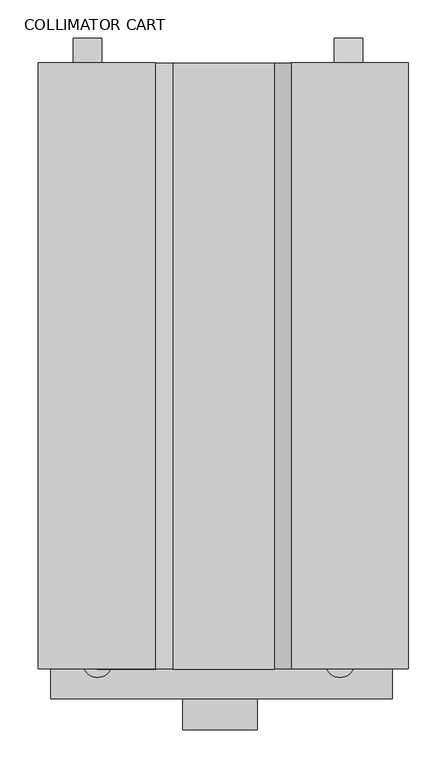
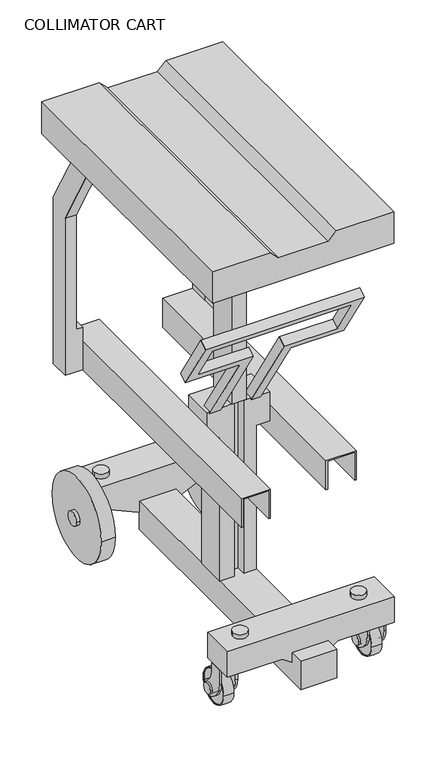
"""IFC4 building model written with IfcOpenShell, lengths in millimetres: proxy geometry, COLLIMATOR CART."""

from ifc_helpers import new_model, si_unit, point, frame, frame_2d, origin, place, context, project, spatial, polyline, circle_curve, ellipse_curve, trimmed, segment, composite_curve, outline, extrude, faceted_brep, source, transform, mapped, element, save
from ifc_brep_helpers import plane_surface, revolved_surface, advanced_brep


def collimator_cart_15fbf50c(model_context):
    return source(origin(), model_context, "Body", "SolidModel", [
        advanced_brep(
        [(380.5506847, -702.177546, 28.9965135), (380.5506847, -795.7896241, 28.9965135), (352.5506847, -795.7896241, 28.9965135), (352.5506847, -702.177546, 28.9965135), (352.5506847, -703.9835851, 28.9965135), (352.5506847, -793.9835851, 28.9965135), (380.5506847, -793.9835851, 28.9965135), (380.5506847, -703.9835851, 28.9965135)],
        [
            (0, 1, circle_curve(frame((380.5506847, -748.9835851, 28.9965135), z_axis=(-1.0, 0.0, 0.0), x_axis=(0.0, -1.0000000000000007, 0.0)), 46.8060391)),
            (1, 2, circle_curve(frame((366.5506847, -717.4078321, 28.9965135), z_axis=(0.0, 0.0, -1.0), x_axis=(0.0, 1.0000000000000007, 0.0)), 79.6222664)),
            (2, 3, circle_curve(frame((352.5506847, -748.9835851, 28.9965135), z_axis=(1.0, 0.0, 0.0), x_axis=(0.0, -1.0000000000000007, 0.0)), 46.8060391)),
            (3, 0, circle_curve(frame((366.5506847, -780.559338, 28.9965135), z_axis=(0.0, 0.0, -1.0), x_axis=(0.0, -1.0000000000000007, 0.0)), 79.6222664)),
            (4, 5, circle_curve(frame((352.5506847, -748.9835851, 28.9965135), z_axis=(-1.0, 0.0, 0.0), x_axis=(0.0, -1.0000000000000007, 0.0)), 45.0)),
            (5, 6),
            (6, 7, circle_curve(frame((380.5506847, -748.9835851, 28.9965135), z_axis=(1.0, 0.0, 0.0), x_axis=(0.0, -1.0000000000000007, 0.0)), 45.0)),
            (7, 4),
            (2, 3, circle_curve(frame((352.5506847, -748.9835851, 28.9965135), z_axis=(-1.0, 0.0, 0.0), x_axis=(0.0, 1.0000000000000007, 0.0)), 46.8060391)),
            (4, 5, circle_curve(frame((352.5506847, -748.9835851, 28.9965135), z_axis=(1.0, 0.0, 0.0), x_axis=(0.0, 1.0000000000000007, 0.0)), 45.0)),
            (1, 0, circle_curve(frame((380.5506847, -748.9835851, 28.9965135), z_axis=(-1.0, 0.0, 0.0), x_axis=(0.0, 1.0000000000000007, 0.0)), 46.8060391)),
            (6, 7, circle_curve(frame((380.5506847, -748.9835851, 28.9965135), z_axis=(-1.0, 0.0, 0.0), x_axis=(0.0, 1.0000000000000007, 0.0)), 45.0)),
        ],
        [
            revolved_surface(trimmed(ellipse_curve(frame((366.5506847, -717.4078321, 28.9965135), z_axis=(0.0, 0.0, 1.0), x_axis=(0.0, 1.0000000000000007, 0.0)), 79.6222664, 79.6222664), [point((352.5506847, -795.7896241, 28.9965135))], [point((380.5506847, -795.7896241, 28.9965135))], True, "CARTESIAN"), (373.073476, -748.9835851, 28.9965135), (1.0000000000000007, 0.0, 0.0)),
            revolved_surface(polyline([(380.5506847, -793.9835851, 28.9965135), (352.5506846999999, -793.9835851, 28.9965135)]), (373.073476, -748.9835851, 28.9965135), (1.0000000000000007, 0.0, 0.0)),
            plane_surface(frame((352.5506847, -748.9835851, 28.9965135), z_axis=(-1.0, 0.0, 0.0), x_axis=(0.0, 1.0, 0.0))),
            revolved_surface(trimmed(ellipse_curve(frame((366.5506847, -780.559338, 28.9965135), z_axis=(0.0, 0.0, -1.0), x_axis=(0.0, -1.0000000000000007, 0.0)), 79.6222664, 79.6222664), [point((352.5506847, -702.177546, 28.9965135))], [point((380.5506847, -702.177546, 28.9965135))], True, "CARTESIAN"), (373.073476, -748.9835851, 28.9965135), (1.0000000000000007, 0.0, 0.0)),
            plane_surface(frame((380.5506847, -748.9835851, 28.9965135), z_axis=(1.0, 0.0, 0.0), x_axis=(0.0, 1.0, 0.0))),
            revolved_surface(polyline([(380.5506847, -703.9835851, 28.9965135), (352.5506846999999, -703.9835851, 28.9965135)]), (373.073476, -748.9835851, 28.9965135), (1.0000000000000007, 0.0, 0.0)),
        ],
        [
            (0, [[1, 2, 3, 4]]),
            (1, [[5, 6, 7, 8]]),
            (2, [[9, -3], [10, -5]]),
            (3, [[11, -4, -9, -2]]),
            (4, [[-11, -1], [12, -7]]),
            (5, [[-10, -8, -12, -6]]),
        ],
    ),
        extrude(outline(composite_curve([segment(polyline([(-758.1724211, 10.113577), (-766.9719434, 15.1939835)]), True, "CONTINUOUS"), segment(trimmed(circle_curve(frame_2d((-739.4719434, 62.8253807)), 55.0), [point((-766.9719434, 15.1939835))], [point((-794.4719434, 62.8253807))], False, "CARTESIAN"), True, "CONTINUOUS"), segment(polyline([(-794.4719434, 62.8253807), (-794.4719434, 105.9965135), (-759.4719434, 105.9965135), (-759.4719434, 80.3030944)]), True, "CONTINUOUS"), segment(trimmed(circle_curve(frame_2d((-721.8233227, 80.3030944)), 37.6486207), [point((-759.4719434, 80.3030944))], [point((-742.8702564, 49.0869892))], True, "CARTESIAN"), True, "CONTINUOUS"), segment(trimmed(circle_curve(frame_2d((-748.9835851, 28.9965135)), 21.0), [point((-742.8702564, 49.0869892))], [point((-758.1724211, 10.113577))], False, "CARTESIAN"), True, "CONTINUOUS")], self_intersect=False)), frame((341.573476, 0.0, 0.0), z_axis=(1.0, 0.0, 0.0), x_axis=(0.0, 1.0, 0.0)), (0.0, 0.0, 1.0), 6.0),
        extrude(outline(polyline([(385.573476, -794.4719434), (347.573476, -794.4719434), (347.573476, -759.4719434), (385.573476, -759.4719434), (385.573476, -794.4719434)])), frame((0.0, 0.0, 99.9965135), z_axis=(0.0, 0.0, 1.0), x_axis=(1.0, 0.0, 0.0)), (0.0, 0.0, 1.0), 6.0),
        extrude(outline(composite_curve([segment(polyline([(-758.1724211, 10.113577), (-766.9719434, 15.1939835)]), True, "CONTINUOUS"), segment(trimmed(circle_curve(frame_2d((-739.4719434, 62.8253807)), 55.0), [point((-766.9719434, 15.1939835))], [point((-794.4719434, 62.8253807))], False, "CARTESIAN"), True, "CONTINUOUS"), segment(polyline([(-794.4719434, 62.8253807), (-794.4719434, 105.9965135), (-759.4719434, 105.9965135), (-759.4719434, 80.3030944)]), True, "CONTINUOUS"), segment(trimmed(circle_curve(frame_2d((-721.8233227, 80.3030944)), 37.6486207), [point((-759.4719434, 80.3030944))], [point((-742.8702564, 49.0869892))], True, "CARTESIAN"), True, "CONTINUOUS"), segment(trimmed(circle_curve(frame_2d((-748.9835851, 28.9965135)), 21.0), [point((-742.8702564, 49.0869892))], [point((-758.1724211, 10.113577))], False, "CARTESIAN"), True, "CONTINUOUS")], self_intersect=False)), frame((385.573476, 0.0, 0.0), z_axis=(1.0, 0.0, 0.0), x_axis=(0.0, 1.0, 0.0)), (0.0, 0.0, 1.0), 6.0),
        extrude(outline(composite_curve([segment(trimmed(circle_curve(frame_2d((-748.9835851, 28.9965135)), 15.0), [point((-763.9835851, 28.9965135))], [point((-733.9835851, 28.9965135))], False, "CARTESIAN"), True, "CONTINUOUS"), segment(trimmed(circle_curve(frame_2d((-748.9835851, 28.9965135)), 15.0), [point((-733.9835851, 28.9965135))], [point((-763.9835851, 28.9965135))], False, "CARTESIAN"), True, "CONTINUOUS")], self_intersect=False)), frame((335.573476, 0.0, 0.0), z_axis=(1.0, 0.0, 0.0), x_axis=(0.0, 1.0, 0.0)), (0.0, 0.0, 1.0), 62.0),
        extrude(outline(composite_curve([segment(trimmed(circle_curve(frame_2d((-748.9835851, 28.9965135)), 45.0), [point((-793.9835851, 28.9965135))], [point((-703.9835851, 28.9965135))], False, "CARTESIAN"), True, "CONTINUOUS"), segment(trimmed(circle_curve(frame_2d((-748.9835851, 28.9965135)), 45.0), [point((-703.9835851, 28.9965135))], [point((-793.9835851, 28.9965135))], False, "CARTESIAN"), True, "CONTINUOUS")], self_intersect=False)), frame((354.073476, 0.0, 0.0), z_axis=(1.0, 0.0, 0.0), x_axis=(0.0, 1.0, 0.0)), (0.0, 0.0, 1.0), 25.0),
        advanced_brep(
        [(-16.3243153, -702.177546, 28.9965135), (-16.3243153, -795.7896241, 28.9965135), (-44.3243153, -795.7896241, 28.9965135), (-44.3243153, -702.177546, 28.9965135), (-44.3243153, -703.9835851, 28.9965135), (-44.3243153, -793.9835851, 28.9965135), (-16.3243153, -793.9835851, 28.9965135), (-16.3243153, -703.9835851, 28.9965135)],
        [
            (0, 1, circle_curve(frame((-16.3243153, -748.9835851, 28.9965135), z_axis=(-1.0, 0.0, 0.0), x_axis=(0.0, -1.0000000000000007, 0.0)), 46.8060391)),
            (1, 2, circle_curve(frame((-30.3243153, -717.4078321, 28.9965135), z_axis=(0.0, 0.0, -1.0), x_axis=(0.0, 1.0000000000000007, 0.0)), 79.6222664)),
            (2, 3, circle_curve(frame((-44.3243153, -748.9835851, 28.9965135), z_axis=(1.0, 0.0, 0.0), x_axis=(0.0, -1.0000000000000007, 0.0)), 46.8060391)),
            (3, 0, circle_curve(frame((-30.3243153, -780.559338, 28.9965135), z_axis=(0.0, 0.0, -1.0), x_axis=(0.0, -1.0000000000000007, 0.0)), 79.6222664)),
            (4, 5, circle_curve(frame((-44.3243153, -748.9835851, 28.9965135), z_axis=(-1.0, 0.0, 0.0), x_axis=(0.0, -1.0000000000000007, 0.0)), 45.0)),
            (5, 6),
            (6, 7, circle_curve(frame((-16.3243153, -748.9835851, 28.9965135), z_axis=(1.0, 0.0, 0.0), x_axis=(0.0, -1.0000000000000007, 0.0)), 45.0)),
            (7, 4),
            (2, 3, circle_curve(frame((-44.3243153, -748.9835851, 28.9965135), z_axis=(-1.0, 0.0, 0.0), x_axis=(0.0, 1.0000000000000007, 0.0)), 46.8060391)),
            (4, 5, circle_curve(frame((-44.3243153, -748.9835851, 28.9965135), z_axis=(1.0, 0.0, 0.0), x_axis=(0.0, 1.0000000000000007, 0.0)), 45.0)),
            (1, 0, circle_curve(frame((-16.3243153, -748.9835851, 28.9965135), z_axis=(-1.0, 0.0, 0.0), x_axis=(0.0, 1.0000000000000007, 0.0)), 46.8060391)),
            (6, 7, circle_curve(frame((-16.3243153, -748.9835851, 28.9965135), z_axis=(-1.0, 0.0, 0.0), x_axis=(0.0, 1.0000000000000007, 0.0)), 45.0)),
        ],
        [
            revolved_surface(trimmed(ellipse_curve(frame((-30.3243153, -717.4078321, 28.9965135), z_axis=(0.0, 0.0, 1.0), x_axis=(0.0, 1.0000000000000007, 0.0)), 79.6222664, 79.6222664), [point((-44.3243153, -795.7896241, 28.9965135))], [point((-16.3243153, -795.7896241, 28.9965135))], True, "CARTESIAN"), (-23.801524, -748.9835851, 28.9965135), (1.0000000000000007, 0.0, 0.0)),
            revolved_surface(polyline([(-16.324315299999988, -793.9835851, 28.9965135), (-44.32431530000003, -793.9835851, 28.9965135)]), (-23.801524, -748.9835851, 28.9965135), (1.0000000000000007, 0.0, 0.0)),
            plane_surface(frame((-44.3243153, -748.9835851, 28.9965135), z_axis=(-1.0, 0.0, 0.0), x_axis=(0.0, 1.0, 0.0))),
            revolved_surface(trimmed(ellipse_curve(frame((-30.3243153, -780.559338, 28.9965135), z_axis=(0.0, 0.0, -1.0), x_axis=(0.0, -1.0000000000000007, 0.0)), 79.6222664, 79.6222664), [point((-44.3243153, -702.177546, 28.9965135))], [point((-16.3243153, -702.177546, 28.9965135))], True, "CARTESIAN"), (-23.801524, -748.9835851, 28.9965135), (1.0000000000000007, 0.0, 0.0)),
            plane_surface(frame((-16.3243153, -748.9835851, 28.9965135), z_axis=(1.0, 0.0, 0.0), x_axis=(0.0, 1.0, 0.0))),
            revolved_surface(polyline([(-16.324315299999988, -703.9835851, 28.9965135), (-44.32431530000003, -703.9835851, 28.9965135)]), (-23.801524, -748.9835851, 28.9965135), (1.0000000000000007, 0.0, 0.0)),
        ],
        [
            (0, [[1, 2, 3, 4]]),
            (1, [[5, 6, 7, 8]]),
            (2, [[9, -3], [10, -5]]),
            (3, [[11, -4, -9, -2]]),
            (4, [[-11, -1], [12, -7]]),
            (5, [[-10, -8, -12, -6]]),
        ],
    ),
        extrude(outline(composite_curve([segment(polyline([(-758.1724211, 10.113577), (-766.9719434, 15.1939835)]), True, "CONTINUOUS"), segment(trimmed(circle_curve(frame_2d((-739.4719434, 62.8253807)), 55.0), [point((-766.9719434, 15.1939835))], [point((-794.4719434, 62.8253807))], False, "CARTESIAN"), True, "CONTINUOUS"), segment(polyline([(-794.4719434, 62.8253807), (-794.4719434, 105.9965135), (-759.4719434, 105.9965135), (-759.4719434, 80.3030944)]), True, "CONTINUOUS"), segment(trimmed(circle_curve(frame_2d((-721.8233227, 80.3030944)), 37.6486207), [point((-759.4719434, 80.3030944))], [point((-742.8702564, 49.0869892))], True, "CARTESIAN"), True, "CONTINUOUS"), segment(trimmed(circle_curve(frame_2d((-748.9835851, 28.9965135)), 21.0), [point((-742.8702564, 49.0869892))], [point((-758.1724211, 10.113577))], False, "CARTESIAN"), True, "CONTINUOUS")], self_intersect=False)), frame((-55.301524, 0.0, 0.0), z_axis=(1.0, 0.0, 0.0), x_axis=(0.0, 1.0, 0.0)), (0.0, 0.0, 1.0), 6.0),
        extrude(outline(polyline([(-11.301524, -794.4719434), (-49.301524, -794.4719434), (-49.301524, -759.4719434), (-11.301524, -759.4719434), (-11.301524, -794.4719434)])), frame((0.0, 0.0, 99.9965135), z_axis=(0.0, 0.0, 1.0), x_axis=(1.0, 0.0, 0.0)), (0.0, 0.0, 1.0), 6.0),
        extrude(outline(composite_curve([segment(polyline([(-758.1724211, 10.113577), (-766.9719434, 15.1939835)]), True, "CONTINUOUS"), segment(trimmed(circle_curve(frame_2d((-739.4719434, 62.8253807)), 55.0), [point((-766.9719434, 15.1939835))], [point((-794.4719434, 62.8253807))], False, "CARTESIAN"), True, "CONTINUOUS"), segment(polyline([(-794.4719434, 62.8253807), (-794.4719434, 105.9965135), (-759.4719434, 105.9965135), (-759.4719434, 80.3030944)]), True, "CONTINUOUS"), segment(trimmed(circle_curve(frame_2d((-721.8233227, 80.3030944)), 37.6486207), [point((-759.4719434, 80.3030944))], [point((-742.8702564, 49.0869892))], True, "CARTESIAN"), True, "CONTINUOUS"), segment(trimmed(circle_curve(frame_2d((-748.9835851, 28.9965135)), 21.0), [point((-742.8702564, 49.0869892))], [point((-758.1724211, 10.113577))], False, "CARTESIAN"), True, "CONTINUOUS")], self_intersect=False)), frame((-11.301524, 0.0, 0.0), z_axis=(1.0, 0.0, 0.0), x_axis=(0.0, 1.0, 0.0)), (0.0, 0.0, 1.0), 6.0),
        extrude(outline(composite_curve([segment(trimmed(circle_curve(frame_2d((-748.9835851, 28.9965135)), 15.0), [point((-763.9835851, 28.9965135))], [point((-733.9835851, 28.9965135))], False, "CARTESIAN"), True, "CONTINUOUS"), segment(trimmed(circle_curve(frame_2d((-748.9835851, 28.9965135)), 15.0), [point((-733.9835851, 28.9965135))], [point((-763.9835851, 28.9965135))], False, "CARTESIAN"), True, "CONTINUOUS")], self_intersect=False)), frame((-61.301524, 0.0, 0.0), z_axis=(1.0, 0.0, 0.0), x_axis=(0.0, 1.0, 0.0)), (0.0, 0.0, 1.0), 62.0),
        extrude(outline(composite_curve([segment(trimmed(circle_curve(frame_2d((-748.9835851, 28.9965135)), 45.0), [point((-793.9835851, 28.9965135))], [point((-703.9835851, 28.9965135))], False, "CARTESIAN"), True, "CONTINUOUS"), segment(trimmed(circle_curve(frame_2d((-748.9835851, 28.9965135)), 45.0), [point((-703.9835851, 28.9965135))], [point((-793.9835851, 28.9965135))], False, "CARTESIAN"), True, "CONTINUOUS")], self_intersect=False)), frame((-42.801524, 0.0, 0.0), z_axis=(1.0, 0.0, 0.0), x_axis=(0.0, 1.0, 0.0)), (0.0, 0.0, 1.0), 25.0),
        extrude(outline(composite_curve([segment(trimmed(circle_curve(frame_2d((289.0763618, -79.3326456)), 19.05), [point((270.0263618, -79.3326456))], [point((308.1263618, -79.3326456))], False, "CARTESIAN"), True, "CONTINUOUS"), segment(trimmed(circle_curve(frame_2d((289.0763618, -79.3326456)), 19.05), [point((308.1263618, -79.3326456))], [point((270.0263618, -79.3326456))], False, "CARTESIAN"), True, "CONTINUOUS")], self_intersect=False)), frame((0.0, 0.0, 193.3822133), z_axis=(0.0, 0.0, 1.0), x_axis=(1.0, 0.0, 0.0)), (0.0, 0.0, 1.0), 12.8857815),
        extrude(outline(composite_curve([segment(trimmed(circle_curve(frame_2d((41.4263618, -79.3326456)), 19.05), [point((22.3763618, -79.3326456))], [point((60.4763618, -79.3326456))], False, "CARTESIAN"), True, "CONTINUOUS"), segment(trimmed(circle_curve(frame_2d((41.4263618, -79.3326456)), 19.05), [point((60.4763618, -79.3326456))], [point((22.3763618, -79.3326456))], False, "CARTESIAN"), True, "CONTINUOUS")], self_intersect=False)), frame((0.0, 0.0, 193.3822133), z_axis=(0.0, 0.0, 1.0), x_axis=(1.0, 0.0, 0.0)), (0.0, 0.0, 1.0), 12.8857815),
        extrude(outline(composite_curve([segment(trimmed(circle_curve(frame_2d((323.0924617, -786.3594505)), 19.05), [point((304.0424617, -786.3594505))], [point((342.1424617, -786.3594505))], False, "CARTESIAN"), True, "CONTINUOUS"), segment(trimmed(circle_curve(frame_2d((323.0924617, -786.3594505)), 19.05), [point((342.1424617, -786.3594505))], [point((304.0424617, -786.3594505))], False, "CARTESIAN"), True, "CONTINUOUS")], self_intersect=False)), frame((0.0, 0.0, 180.7196746), z_axis=(0.0, 0.0, 1.0), x_axis=(1.0, 0.0, 0.0)), (0.0, 0.0, 1.0), 12.6088058),
        extrude(outline(composite_curve([segment(trimmed(circle_curve(frame_2d((5.5924617, -786.3594505)), 19.05), [point((-13.4575383, -786.3594505))], [point((24.6424617, -786.3594505))], False, "CARTESIAN"), True, "CONTINUOUS"), segment(trimmed(circle_curve(frame_2d((5.5924617, -786.3594505)), 19.05), [point((24.6424617, -786.3594505))], [point((-13.4575383, -786.3594505))], False, "CARTESIAN"), True, "CONTINUOUS")], self_intersect=False)), frame((0.0, 0.0, 180.7196746), z_axis=(0.0, 0.0, 1.0), x_axis=(1.0, 0.0, 0.0)), (0.0, 0.0, 1.0), 12.6088058),
        extrude(outline(polyline([(-57.15, 0.0), (-57.15, 304.8), (-28.575, 304.8), (-28.575, -25.4), (-177.8, -25.4), (-177.8, -152.4000001), (196.85, -152.4000001), (196.85, -25.4), (53.975, -25.4), (53.975, 304.8), (79.375, 304.8), (79.375, 0.0), (222.25, 0.0), (222.25, -177.8), (-203.2, -177.8), (-203.2, 0.0), (-57.15, 0.0)])), frame((147.1892188, -638.8586079, 826.1671449), z_axis=(0.0, 0.8480480961564295, 0.5299192642331995), x_axis=(1.0, 0.0, 0.0)), (0.0, 0.0, 1.0), 25.4608098),
        faceted_brep([(378.9430518, -0.8990561, 960.7317336), (378.9430518, -106.2720169, 1150.829587), (378.9430518, -176.6596099, 1150.829587), (378.9430518, -56.1601756, 933.4428531), (378.9430518, -56.1601756, 488.4708269), (378.9430518, -0.8990561, 488.4708269), (349.7649266, -56.1601756, 933.4428531), (349.7649266, -176.6596099, 1150.829587), (349.7649266, -106.2720169, 1150.829587), (349.7649266, -0.8990561, 960.7317336), (349.7649266, -0.8990561, 608.7167827), (349.7649266, -56.1601756, 608.7167827), (332.0764903, -56.1601756, 608.7167827), (332.0764903, -56.1601756, 488.4708269), (332.0764903, -0.8990561, 488.4708269), (332.0764903, -0.8990561, 608.7167827)], [[[0, 1, 2, 3, 4, 5]], [[6, 7, 8, 9, 10, 11]], [[1, 0, 9, 8]], [[2, 1, 8, 7]], [[3, 2, 7, 6]], [[4, 3, 6, 11, 12, 13]], [[5, 4, 13, 14]], [[0, 5, 14, 15, 10, 9]], [[10, 15, 12, 11]], [[15, 14, 13, 12]]]),
        faceted_brep([(-41.2740998, -0.8990561, 960.7317336), (-41.2740998, -0.8990561, 488.4708269), (-41.2740998, -56.1601756, 488.4708269), (-41.2740998, -56.1601756, 933.4428531), (-41.2740998, -176.6596099, 1150.829587), (-41.2740998, -106.2720169, 1150.829587), (-12.0959747, -0.8990561, 960.7317336), (-12.0959747, -106.2720169, 1150.829587), (-12.0959747, -176.6596099, 1150.829587), (-12.0959747, -56.1601756, 933.4428531), (-12.0959747, -56.1601756, 608.7167827), (-12.0959747, -0.8990561, 608.7167827), (5.5924617, -56.1601756, 488.4708269), (5.5924617, -56.1601756, 608.7167827), (5.5924617, -0.8990561, 488.4708269), (5.5924617, -0.8990561, 608.7167827)], [[[0, 1, 2, 3, 4, 5]], [[6, 7, 8, 9, 10, 11]], [[0, 5, 7, 6]], [[5, 4, 8, 7]], [[4, 3, 9, 8]], [[3, 2, 12, 13, 10, 9]], [[12, 2, 1, 14]], [[14, 1, 0, 6, 11, 15]], [[15, 11, 10, 13]], [[14, 15, 13, 12]]]),
        extrude(outline(polyline([(187.6543192, -499.520377), (149.085976, -499.520377), (149.085976, -415.4081664), (187.6543192, -415.4081664), (187.6543192, -499.520377)])), frame((0.0, 0.0, 608.7167827), z_axis=(0.0, 0.0, 1.0), x_axis=(1.0, 0.0, 0.0)), (0.0, 0.0, 1.0), 542.1128042),
        extrude(outline(polyline([(1150.829587, 412.864976), (1241.044, 412.864976), (1241.044, 259.321976), (1218.5933597, 236.8713357), (1218.5933597, 103.9726163), (1241.044, 81.521976), (1241.044, -72.021024), (1150.829587, -72.021024), (1150.829587, 412.864976)])), frame((0.0, -794.4719434, 0.0), z_axis=(0.0, 1.0, 0.0), x_axis=(0.0, 0.0, 1.0)), (0.0, 0.0, 1.0), 793.5728873),
        extrude(outline(polyline([(570.6167827, 332.0764903), (570.6167827, 251.3044903), (488.4708269, 251.3044903), (488.4708269, 255.7573943), (567.0317336, 255.7573943), (567.0317336, 328.0198053), (488.4708269, 328.0198053), (488.4708269, 332.0764903), (570.6167827, 332.0764903)])), frame((0.0, -759.4719434, 0.0), z_axis=(0.0, 1.0, 0.0), x_axis=(0.0, 0.0, 1.0)), (0.0, 0.0, 1.0), 758.5728873),
        extrude(outline(polyline([(570.6167827, 5.5924617), (488.4708269, 5.5924617), (488.4708269, 9.9534301), (567.0317336, 9.9534301), (567.0317336, 77.3395577), (488.4708269, 77.3395577), (488.4708269, 81.7924617), (570.6167827, 81.7924617), (570.6167827, 5.5924617)])), frame((0.0, -794.4719434, 0.0), z_axis=(0.0, 1.0, 0.0), x_axis=(0.0, 0.0, 1.0)), (0.0, 0.0, 1.0), 793.5728873),
        faceted_brep([(81.7924617, -415.4081664, 608.7167827), (81.7924617, -499.520377, 608.7167827), (155.435976, -499.520377, 608.7167827), (155.435976, -474.120377, 608.7167827), (180.835976, -474.120377, 608.7167827), (180.835976, -499.520377, 608.7167827), (250.3189709, -499.520377, 608.7167827), (250.3189709, -415.4081664, 608.7167827), (250.3189709, -415.4081664, 526.5708269), (250.3189709, -499.520377, 526.5708269), (214.7754567, -499.520377, 526.5708269), (214.7754567, -440.8081664, 526.5708269), (214.7754567, -415.4081664, 526.5708269), (117.335976, -499.520377, 526.5708269), (81.7924617, -499.520377, 526.5708269), (81.7924617, -415.4081664, 526.5708269), (117.335976, -415.4081664, 526.5708269), (117.335976, -440.8081664, 526.5708269), (117.335976, -499.520377, 118.7364373), (155.435976, -499.520377, 118.7364373), (180.835976, -499.520377, 118.7364373), (214.7754567, -499.520377, 118.7364373), (214.7754567, -415.4081664, 118.7364373), (117.335976, -415.4081664, 118.7364373), (180.835976, -474.120377, 118.7364373), (155.435976, -474.120377, 118.7364373)], [[[0, 1, 2, 3, 4, 5, 6, 7]], [[8, 9, 10, 11, 12]], [[13, 14, 15, 16, 17]], [[1, 0, 15, 14]], [[2, 1, 14, 13, 18, 19]], [[6, 5, 20, 21, 10, 9]], [[7, 6, 9, 8]], [[15, 0, 7, 8, 12, 22, 23, 16]], [[22, 21, 20, 24, 25, 19, 18, 23]], [[23, 18, 13, 17, 16]], [[3, 2, 19, 25]], [[4, 3, 25, 24]], [[5, 4, 24, 20]], [[21, 22, 12, 11, 10]]]),
        extrude(outline(polyline([(108.5699862, -55.301524), (108.5699862, 91.4964442), (90.8693442, 117.335976), (90.8693442, 214.7754567), (108.5699862, 240.6149885), (108.5699862, 391.573476), (180.7196746, 391.573476), (180.7196746, -55.301524), (108.5699862, -55.301524)])), frame((0.0, -833.4315403, 0.0), z_axis=(0.0, 1.0, 0.0), x_axis=(0.0, 0.0, 1.0)), (0.0, 0.0, 1.0), 92.5158431),
        extrude(outline(composite_curve([segment(trimmed(circle_curve(frame_2d((-79.0514554, 94.3630029)), 19.05), [point((-98.1014554, 94.3630029))], [point((-60.0014554, 94.3630029))], False, "CARTESIAN"), True, "CONTINUOUS"), segment(trimmed(circle_curve(frame_2d((-79.0514554, 94.3630029)), 19.05), [point((-60.0014554, 94.3630029))], [point((-98.1014554, 94.3630029))], False, "CARTESIAN"), True, "CONTINUOUS")], self_intersect=False)), frame((353.2424227, 0.0, 0.0), z_axis=(1.0, 0.0, 0.0), x_axis=(0.0, 1.0, 0.0)), (0.0, 0.0, 1.0), 5.0258296),
        extrude(outline(composite_curve([segment(trimmed(circle_curve(frame_2d((-82.7025786, 95.8699862)), 114.3), [point((-197.0025786, 95.8699862))], [point((31.5974214, 95.8699862))], False, "CARTESIAN"), True, "CONTINUOUS"), segment(trimmed(circle_curve(frame_2d((-82.7025786, 95.8699862)), 114.3), [point((31.5974214, 95.8699862))], [point((-197.0025786, 95.8699862))], False, "CARTESIAN"), True, "CONTINUOUS")], self_intersect=False)), frame((315.8102928, 0.0, 0.0), z_axis=(1.0, 0.0, 0.0), x_axis=(0.0, 1.0, 0.0)), (0.0, 0.0, 1.0), 37.4321299),
        extrude(outline(composite_curve([segment(trimmed(circle_curve(frame_2d((-79.0514554, 94.3630029)), 19.05), [point((-98.1014554, 94.3630029))], [point((-60.0014554, 94.3630029))], False, "CARTESIAN"), True, "CONTINUOUS"), segment(trimmed(circle_curve(frame_2d((-79.0514554, 94.3630029)), 19.05), [point((-60.0014554, 94.3630029))], [point((-98.1014554, 94.3630029))], False, "CARTESIAN"), True, "CONTINUOUS")], self_intersect=False)), frame((-35.8011688, 0.0, 0.0), z_axis=(1.0, 0.0, 0.0), x_axis=(0.0, 1.0, 0.0)), (0.0, 0.0, 1.0), 9.8480041),
        extrude(outline(polyline([(121.1066153, 315.8102928), (193.3822133, 315.8102928), (193.3822133, 6.6567907), (121.1066153, 6.6567907), (121.1066153, 41.4263618), (87.9579978, 112.5138014), (87.9579978, 209.9532821), (121.1066153, 281.0407218), (121.1066153, 315.8102928)])), frame((0.0, -125.1436979, 0.0), z_axis=(0.0, 1.0, 0.0), x_axis=(0.0, 0.0, 1.0)), (0.0, 0.0, 1.0), 94.3468933),
        extrude(outline(composite_curve([segment(trimmed(circle_curve(frame_2d((-82.7025786, 95.8699862)), 114.3), [point((-197.0025786, 95.8699862))], [point((31.5974214, 95.8699862))], False, "CARTESIAN"), True, "CONTINUOUS"), segment(trimmed(circle_curve(frame_2d((-82.7025786, 95.8699862)), 114.3), [point((31.5974214, 95.8699862))], [point((-197.0025786, 95.8699862))], False, "CARTESIAN"), True, "CONTINUOUS")], self_intersect=False)), frame((-25.9531646, 0.0, 0.0), z_axis=(1.0, 0.0, 0.0), x_axis=(0.0, 1.0, 0.0)), (0.0, 0.0, 1.0), 37.4321299),
        extrude(outline(polyline([(214.7754567, -125.1436979), (214.7754567, -873.8970561), (117.335976, -873.8970561), (117.335976, -125.1436979), (214.7754567, -125.1436979)])), frame((0.0, 0.0, 38.2945383), z_axis=(0.0, 0.0, 1.0), x_axis=(1.0, 0.0, 0.0)), (0.0, 0.0, 1.0), 80.441899),
    ])


if __name__ == "__main__":
    model = new_model("IFC4")
    model_context = context("Model", 3, world=origin())
    ifc_project = project(units=[si_unit("LENGTHUNIT", "METRE", prefix="MILLI")], contexts=[model_context])
    site = spatial("IfcSite", under=ifc_project)
    building = spatial("IfcBuilding", under=site)
    placement = place(None, origin())
    collimator_cart_shape = collimator_cart_15fbf50c(model_context)
    element("IfcBuildingElementProxy", 1, Name="COLLIMATOR CART", ObjectType="COLLIMATOR CART", at=placement, inside=building, context=model_context, shape_type="MappedRepresentation", body=[
        mapped(collimator_cart_shape, transform((0.0, 0.0, 0.0), x_axis=(1.0, 0.0, 0.0), y_axis=(0.0, 1.0, 0.0), z_axis=(0.0, 0.0, 1.0))),
    ])
    save(model, "model.ifc")
